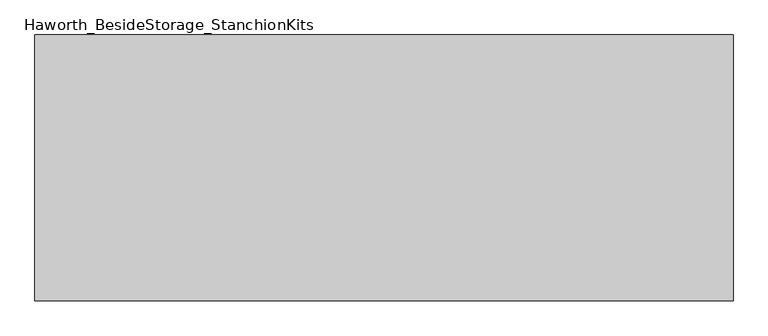
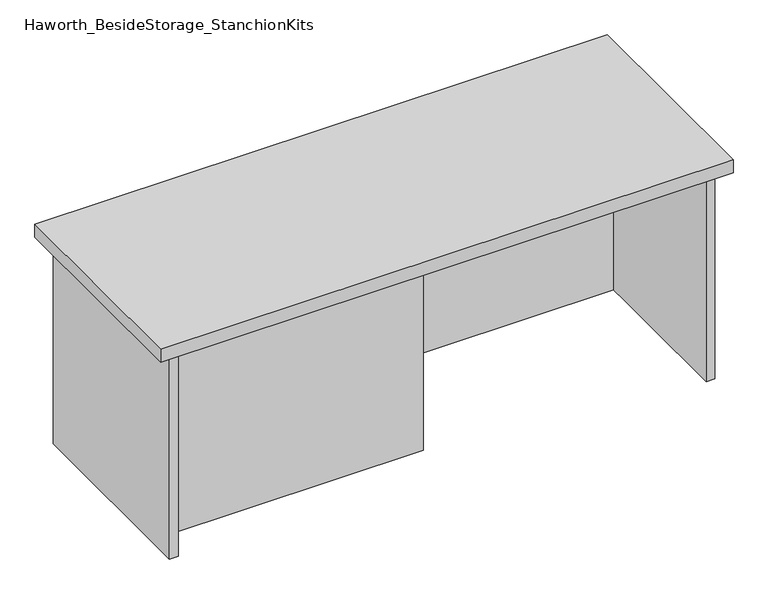
"""IFC4 building model written with IfcOpenShell, lengths in millimetres: furniture geometry, Haworth_BesideStorage_StanchionKits."""

from ifc_helpers import new_model, si_unit, frame, origin, place, context, project, spatial, polyline, outline, extrude, source, transform, mapped, element, save


def haworth_besidestorage_stanchionkits_33b1f73a(model_context):
    return source(origin(), model_context, "Body", "SweptSolid", [
        extrude(outline(polyline([(695.325, 0.0), (695.325, -406.4), (-371.475, -406.4), (-371.475, 0.0), (695.325, 0.0)])), frame((0.0, 0.0, 838.2), z_axis=(0.0, 0.0, 1.0), x_axis=(1.0, 0.0, 0.0)), (0.0, 0.0, 1.0), 25.4),
        extrude(outline(polyline([(161.925, -76.2), (654.05, -76.2), (654.05, -92.075), (161.925, -92.075), (161.925, -76.2)])), frame((0.0, 0.0, 431.8), z_axis=(0.0, 0.0, 1.0), x_axis=(1.0, 0.0, 0.0)), (0.0, 0.0, 1.0), 406.4),
        extrude(outline(polyline([(161.925, -314.325), (161.925, -330.2), (-330.2, -330.2), (-330.2, -314.325), (161.925, -314.325)])), frame((0.0, 0.0, 431.8), z_axis=(0.0, 0.0, 1.0), x_axis=(1.0, 0.0, 0.0)), (0.0, 0.0, 1.0), 406.4),
        extrude(outline(polyline([(669.925, -390.525), (654.05, -390.525), (654.05, -15.875), (669.925, -15.875), (669.925, -390.525)])), frame((0.0, 0.0, 431.8), z_axis=(0.0, 0.0, 1.0), x_axis=(1.0, 0.0, 0.0)), (0.0, 0.0, 1.0), 406.4),
        extrude(outline(polyline([(-330.2, -390.525), (-346.075, -390.525), (-346.075, -15.875), (-330.2, -15.875), (-330.2, -390.525)])), frame((0.0, 0.0, 431.8), z_axis=(0.0, 0.0, 1.0), x_axis=(1.0, 0.0, 0.0)), (0.0, 0.0, 1.0), 406.4),
    ])


if __name__ == "__main__":
    model = new_model("IFC4")
    model_context = context("Model", 3, world=origin())
    ifc_project = project(units=[si_unit("LENGTHUNIT", "METRE", prefix="MILLI")], contexts=[model_context])
    site = spatial("IfcSite", under=ifc_project)
    building = spatial("IfcBuilding", under=site)
    placement = place(None, origin())
    haworth_besidestorage_stanchionkits_shape = haworth_besidestorage_stanchionkits_33b1f73a(model_context)
    element("IfcFurniture", 1, ObjectType="Haworth_BesideStorage_StanchionKits", at=placement, inside=building, context=model_context, shape_type="MappedRepresentation", body=[
        mapped(haworth_besidestorage_stanchionkits_shape, transform((0.0, 0.0, 0.0), x_axis=(1.0, 0.0, 0.0), y_axis=(0.0, 1.0, 0.0), z_axis=(0.0, 0.0, 1.0))),
    ])
    save(model, "model.ifc")
